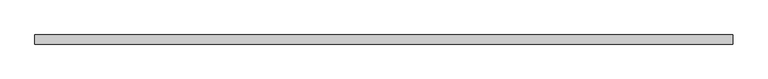
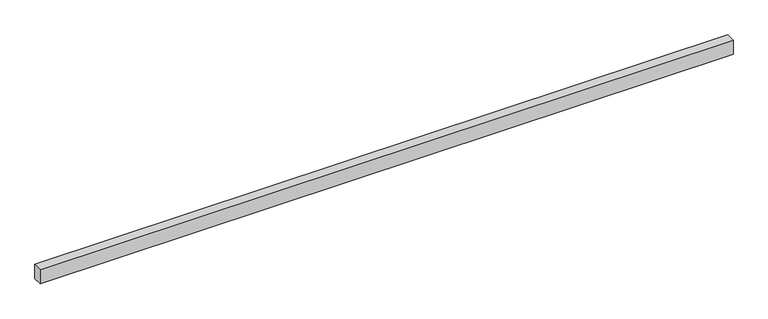
"""IFC4 building model written with IfcOpenShell, lengths in millimetres: beam geometry."""

import ifcopenshell
import ifcopenshell.guid

model = None  # the IFC model being written
_history = None  # IfcOwnerHistory: only IFC2X3 demands one
_inside = {}  # id of a spatial element -> (the spatial element, [elements in it])
_under = {}  # id of a project, library or spatial element -> (it, [spatial elements below it])
_declared = {}  # id of a project -> (the project, [libraries it declares])
_typed = {}  # id of a type object -> (the type object, [elements of that type])
_made_of = {}  # id of a material, layer set ... -> (it, [elements and type objects made of it])


def new_model(schema):
    """Start an empty IFC model of exactly this schema.

    Asked for "IFC4X3", IfcOpenShell would pick the latest addendum, in which some entities
    have other attributes; the version numbers below select the first issue.
    IFC2X3 requires an IfcOwnerHistory on every rooted entity: one is made here for all.
    """
    global model, _history
    if schema == "IFC4X3":
        model = ifcopenshell.file(schema_version=(4, 3, 0, 0))
    else:
        model = ifcopenshell.file(schema=schema)
    _inside.clear()
    _under.clear()
    _declared.clear()
    _typed.clear()
    _made_of.clear()
    _history = None
    if model.schema == "IFC2X3":
        org = make("IfcOrganization", Name="unknown")
        user = make(
            "IfcPersonAndOrganization",
            ThePerson=make("IfcPerson", FamilyName="unknown"),
            TheOrganization=org,
        )
        app = make(
            "IfcApplication",
            ApplicationDeveloper=org,
            Version="unknown",
            ApplicationFullName="unknown",
            ApplicationIdentifier="unknown",
        )
        _history = make(
            "IfcOwnerHistory",
            OwningUser=user,
            OwningApplication=app,
            ChangeAction="ADDED",
            CreationDate=0,
        )
    return model


def make(cls, **values):
    """One entity of the class cls with the attributes given. An attribute that is None is left unset."""
    return model.create_entity(
        cls, **{name: value for name, value in values.items() if value is not None}
    )


def rooted(cls, **values):
    """An entity with a GlobalId (a new one), such as an element, a storey or a relation."""
    return make(cls, GlobalId=ifcopenshell.guid.new(), OwnerHistory=_history, **values)


def si_unit(unit_type, name, prefix=None):
    """IfcSIUnit, for example si_unit("LENGTHUNIT", "METRE", prefix="MILLI")."""
    return make("IfcSIUnit", UnitType=unit_type, Prefix=prefix, Name=name)


def assignment(units):
    """IfcUnitAssignment: the units of a project."""
    return None if units is None else make("IfcUnitAssignment", Units=units)


def point(xyz):
    """IfcCartesianPoint."""
    return None if xyz is None else make("IfcCartesianPoint", Coordinates=xyz)


def direction(xyz):
    """IfcDirection."""
    return None if xyz is None else make("IfcDirection", DirectionRatios=xyz)


def frame(location, z_axis=None, x_axis=None):
    """IfcAxis2Placement3D, a coordinate frame: its origin and axes. An axis left out is left unset."""
    return make(
        "IfcAxis2Placement3D",
        Location=point(location),
        Axis=direction(z_axis),
        RefDirection=direction(x_axis),
    )


def origin():
    """The frame at (0, 0, 0) with its axes left unset."""
    return frame((0.0, 0.0, 0.0))


def place(relative_to, where):
    """IfcLocalPlacement: puts the frame where relative to a parent placement (None: the world)."""
    return make(
        "IfcLocalPlacement", PlacementRelTo=relative_to, RelativePlacement=where
    )


def context(
    kind, dimensions, precision=None, world=None, true_north=None, identifier=None
):
    """IfcGeometricRepresentationContext, for example the 3D "Model" context."""
    return make(
        "IfcGeometricRepresentationContext",
        ContextIdentifier=identifier,
        ContextType=kind,
        CoordinateSpaceDimension=dimensions,
        Precision=precision,
        WorldCoordinateSystem=world,
        TrueNorth=true_north,
    )


def project(units=None, contexts=None):
    """IfcProject with its units and contexts."""
    return rooted(
        "IfcProject",
        Name="project",
        RepresentationContexts=contexts,
        UnitsInContext=assignment(units),
    )


def spatial(cls, under=None, at=None, **own):
    """A site, building, storey or space (cls), placed at a placement, below another one or the project."""
    s = rooted(cls, ObjectPlacement=at, **own)
    if under is not None:
        _under.setdefault(under.id(), (under, []))[1].append(s)
    return s


def polyline(points):
    """IfcPolyline through the points."""
    return make("IfcPolyline", Points=[point(p) for p in points])


def outline(outer, holes=None, kind="AREA"):
    """IfcArbitraryClosedProfileDef: a profile drawn as a closed curve; with holes, ...WithVoids."""
    if holes is None:
        return make("IfcArbitraryClosedProfileDef", ProfileType=kind, OuterCurve=outer)
    return make(
        "IfcArbitraryProfileDefWithVoids",
        ProfileType=kind,
        OuterCurve=outer,
        InnerCurves=holes,
    )


def extrude(swept, where, along, depth):
    """IfcExtrudedAreaSolid: the profile swept, set in the frame where, extruded along a direction by depth."""
    return make(
        "IfcExtrudedAreaSolid",
        SweptArea=swept,
        Position=where,
        ExtrudedDirection=direction(along),
        Depth=depth,
    )


def shape(context_of_items, identifier, shape_type, items):
    """IfcShapeRepresentation: the items that make up one representation, for example the "Body"."""
    return make(
        "IfcShapeRepresentation",
        ContextOfItems=context_of_items,
        RepresentationIdentifier=identifier,
        RepresentationType=shape_type,
        Items=items,
    )


def source(mapping_origin, context_of_items, identifier, shape_type, items):
    """IfcRepresentationMap: a shape defined once, which mapped items show again and again."""
    return make(
        "IfcRepresentationMap",
        MappingOrigin=mapping_origin,
        MappedRepresentation=shape(context_of_items, identifier, shape_type, items),
    )


def transform(
    local_origin,
    x_axis=None,
    y_axis=None,
    z_axis=None,
    scale=None,
    scale2=None,
    scale3=None,
    uniform=True,
):
    """IfcCartesianTransformationOperator3D, or its non-uniform kind. x_axis, y_axis, z_axis: its Axis1, 2, 3."""
    if uniform:
        return make(
            "IfcCartesianTransformationOperator3D",
            Axis1=direction(x_axis),
            Axis2=direction(y_axis),
            LocalOrigin=point(local_origin),
            Scale=scale,
            Axis3=direction(z_axis),
        )
    return make(
        "IfcCartesianTransformationOperator3DnonUniform",
        Axis1=direction(x_axis),
        Axis2=direction(y_axis),
        LocalOrigin=point(local_origin),
        Scale=scale,
        Axis3=direction(z_axis),
        Scale2=scale2,
        Scale3=scale3,
    )


def mapped(mapping_source, mapping_target):
    """IfcMappedItem: shows the shape of a source again, moved by a transform."""
    return make(
        "IfcMappedItem", MappingSource=mapping_source, MappingTarget=mapping_target
    )


def made_of(thing, what):
    """Note that an element or type object is made of a material, layer set ...; save() writes the relation."""
    if what is not None:
        _made_of.setdefault(what.id(), (what, []))[1].append(thing)
    return thing


def element(
    cls,
    number,
    at=None,
    inside=None,
    cuts=None,
    type_object=None,
    material=None,
    context=None,
    identifier="Body",
    shape_type=None,
    held_by="IfcProductDefinitionShape",
    body=None,
    shapes=None,
    **own,
):
    """One element of the class cls, such as IfcWall. Its Tag is "e" and its number.

    at: its placement. inside: the storey or other place that contains it. cuts: it is an
    opening in that element (IfcRelVoidsElement). A single representation is given by context,
    identifier, shape_type and body (its items); several are given by shapes. held_by: the class
    of the entity that holds the representations. save() writes the other relations.
    """
    e = rooted(cls, Tag="e%d" % number, ObjectPlacement=at, **own)
    if body is not None:
        shapes = [shape(context, identifier, shape_type, body)]
    if shapes is not None:
        e.Representation = make(held_by, Representations=shapes)
    if inside is not None:
        _inside.setdefault(inside.id(), (inside, []))[1].append(e)
    if cuts is not None:
        rooted(
            "IfcRelVoidsElement", RelatingBuildingElement=cuts, RelatedOpeningElement=e
        )
    if type_object is not None:
        _typed.setdefault(type_object.id(), (type_object, []))[1].append(e)
    return made_of(e, material)


def aggregate(whole, parts):
    """IfcRelAggregates: a whole, such as a stair, and the parts it consists of."""
    return rooted("IfcRelAggregates", RelatingObject=whole, RelatedObjects=parts)


def save(model, path):
    """Write the relations noted so far, then the file.

    IfcRelAggregates (storeys below a building ...), IfcRelContainedInSpatialStructure (elements
    in a storey), IfcRelDefinesByType, IfcRelAssociatesMaterial and IfcRelDeclares: one each for
    every whole, place, type object, material and project.
    """
    for whole, parts in _under.values():
        aggregate(whole, parts)
    for where, things in _inside.values():
        rooted(
            "IfcRelContainedInSpatialStructure",
            RelatedElements=things,
            RelatingStructure=where,
        )
    for kind, things in _typed.values():
        rooted("IfcRelDefinesByType", RelatedObjects=things, RelatingType=kind)
    for what, things in _made_of.values():
        rooted("IfcRelAssociatesMaterial", RelatedObjects=things, RelatingMaterial=what)
    for by, libraries in _declared.values():
        rooted("IfcRelDeclares", RelatingContext=by, RelatedDefinitions=libraries)
    model.write(path)


def beam_5a4ec6cb(model_context):
    return source(origin(), model_context, "Body", "SweptSolid", [
        extrude(outline(polyline([(1150.0, 15.0), (1150.0, -15.0), (-1150.0, -15.0), (-1150.0, 15.0), (1150.0, 15.0)])), frame((0.0, 0.0, -25.0), z_axis=(0.0, 0.0, 1.0), x_axis=(1.0, 0.0, 0.0)), (0.0, 0.0, 1.0), 50.0),
    ])


if __name__ == "__main__":
    model = new_model("IFC4")
    model_context = context("Model", 3, world=origin())
    ifc_project = project(units=[si_unit("LENGTHUNIT", "METRE", prefix="MILLI")], contexts=[model_context])
    site = spatial("IfcSite", under=ifc_project)
    building = spatial("IfcBuilding", under=site)
    placement = place(None, origin())
    beam_shape = beam_5a4ec6cb(model_context)
    element("IfcBeam", 1, at=placement, inside=building, context=model_context, shape_type="MappedRepresentation", body=[
        mapped(beam_shape, transform((0.0, 0.0, 0.0), x_axis=(1.0, 0.0, 0.0), y_axis=(0.0, 1.0, 0.0), z_axis=(0.0, 0.0, 1.0))),
    ])
    save(model, "model.ifc")
